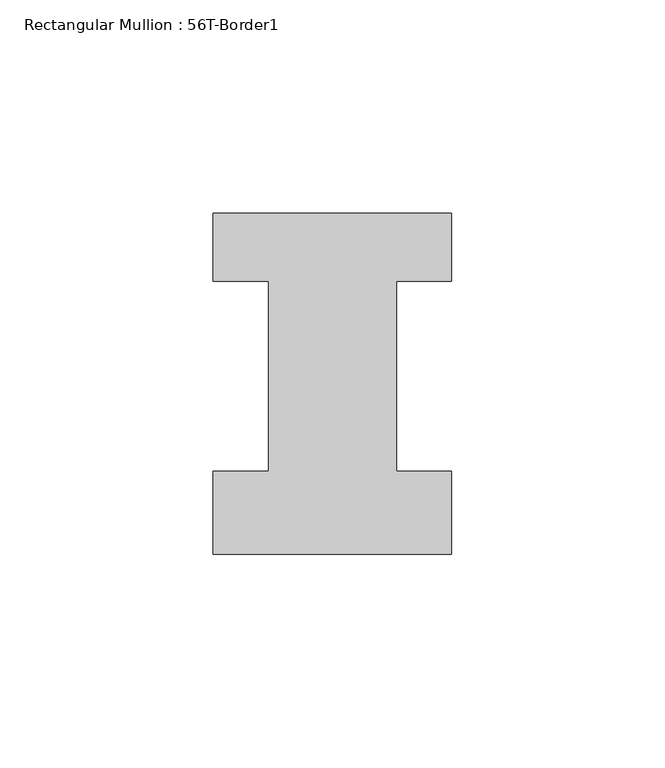
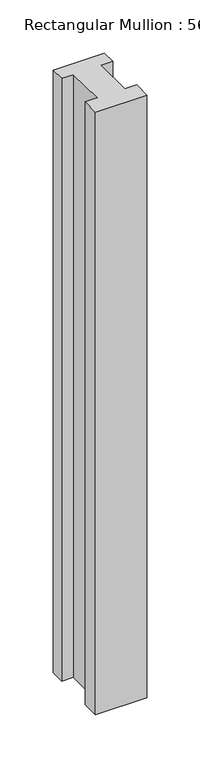
"""IFC4 building model written with IfcOpenShell, lengths in millimetres: member geometry, Rectangular Mullion : 56T-Border1."""

from ifc_helpers import new_model, si_unit, frame, origin, place, context, project, spatial, polyline, outline, extrude, source, transform, mapped, element, save


def rectangular_mullion_56t_border1_eecff507(model_context):
    return source(origin(), model_context, "Body", "SweptSolid", [
        extrude(outline(polyline([(-56.0, -20.0), (-56.0, -0.5), (-43.0, -0.5), (-43.0, 44.0), (-56.0, 44.0), (-56.0, 60.0), (0.0, 60.0), (0.0, 44.0), (-13.0, 44.0), (-13.0, -0.5), (0.0, -0.5), (0.0, -20.0), (-56.0, -20.0)])), frame((0.0, 0.0, -694.0), z_axis=(0.0, 0.0, 1.0), x_axis=(1.0, 0.0, 0.0)), (0.0, 0.0, 1.0), 694.0),
    ])


if __name__ == "__main__":
    model = new_model("IFC4")
    model_context = context("Model", 3, world=origin())
    ifc_project = project(units=[si_unit("LENGTHUNIT", "METRE", prefix="MILLI")], contexts=[model_context])
    site = spatial("IfcSite", under=ifc_project)
    building = spatial("IfcBuilding", under=site)
    placement = place(None, origin())
    rectangular_mullion_56t_border1_shape = rectangular_mullion_56t_border1_eecff507(model_context)
    element("IfcMember", 1, ObjectType="Rectangular Mullion : 56T-Border1", at=placement, inside=building, context=model_context, shape_type="MappedRepresentation", body=[
        mapped(rectangular_mullion_56t_border1_shape, transform((0.0, 0.0, 0.0), x_axis=(1.0, 0.0, 0.0), y_axis=(0.0, 1.0, 0.0), z_axis=(0.0, 0.0, 1.0))),
    ])
    save(model, "model.ifc")
